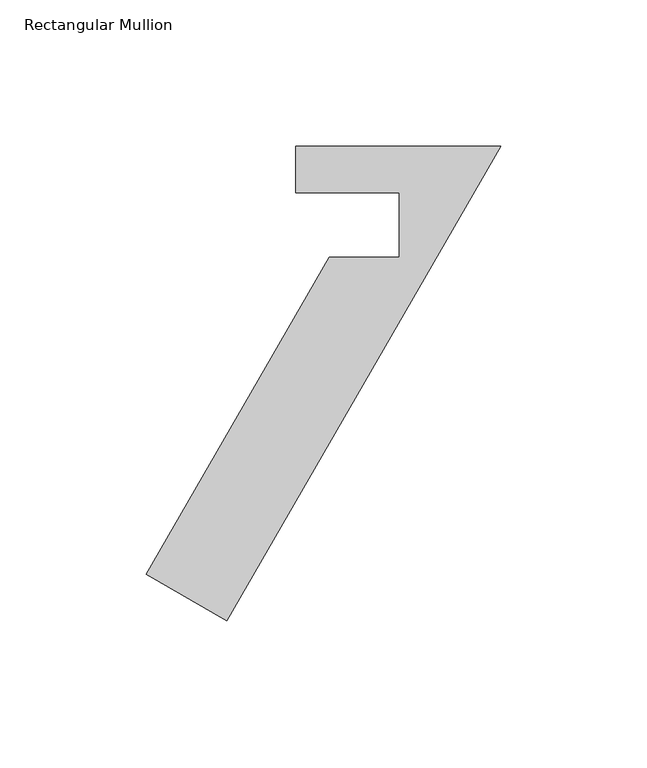
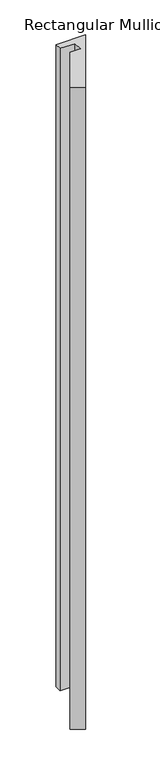
"""IFC4 building model written with IfcOpenShell, lengths in millimetres: member geometry, Rectangular Mullion."""

from ifc_helpers import new_model, si_unit, frame, origin, place, context, project, spatial, polyline, outline, extrude, source, transform, mapped, element, save


def rectangular_mullion_a1e74e09(model_context):
    return source(origin(), model_context, "Body", "SweptSolid", [
        extrude(outline(polyline([(-121.172667, -146.40222), (-58.5870671, -38.0007812), (-34.7077158, -38.0007813), (-34.7077158, -15.8879359), (-70.0057977, -15.8879359), (-70.0085527, -0.0182927), (0.0, -0.0250044), (-93.6763604, -162.27722), (-121.172667, -146.40222)])), frame((0.0, 0.0, -1612.9), z_axis=(0.0, 0.0, 1.0), x_axis=(1.0, 0.0, 0.0)), (0.0, 0.0, 1.0), 1612.9),
    ])


if __name__ == "__main__":
    model = new_model("IFC4")
    model_context = context("Model", 3, world=origin())
    ifc_project = project(units=[si_unit("LENGTHUNIT", "METRE", prefix="MILLI")], contexts=[model_context])
    site = spatial("IfcSite", under=ifc_project)
    building = spatial("IfcBuilding", under=site)
    placement = place(None, origin())
    rectangular_mullion_shape = rectangular_mullion_a1e74e09(model_context)
    element("IfcMember", 1, ObjectType="Rectangular Mullion", at=placement, inside=building, context=model_context, shape_type="MappedRepresentation", body=[
        mapped(rectangular_mullion_shape, transform((0.0, 0.0, 0.0), x_axis=(1.0, 0.0, 0.0), y_axis=(0.0, 1.0, 0.0), z_axis=(0.0, 0.0, 1.0))),
    ])
    save(model, "model.ifc")
